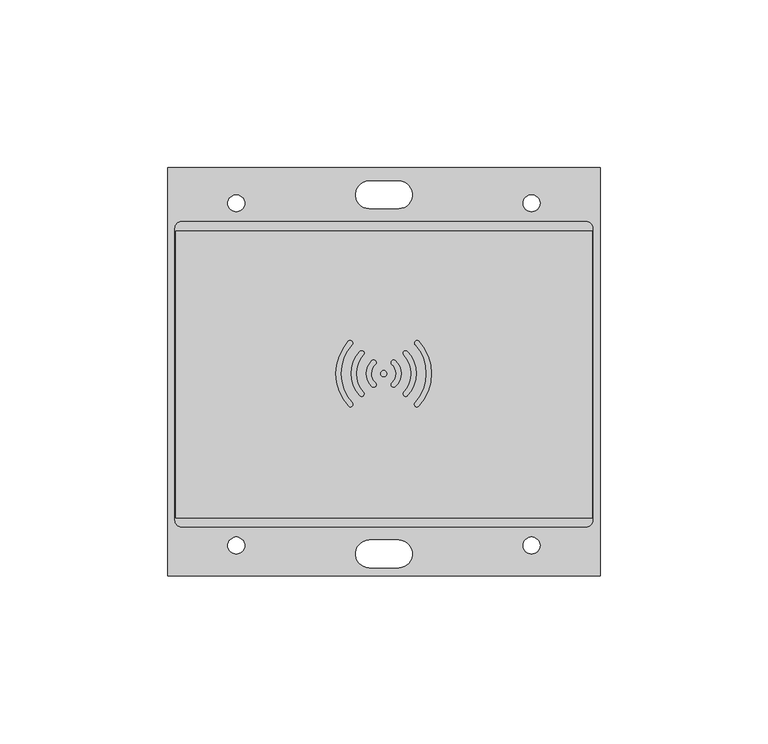
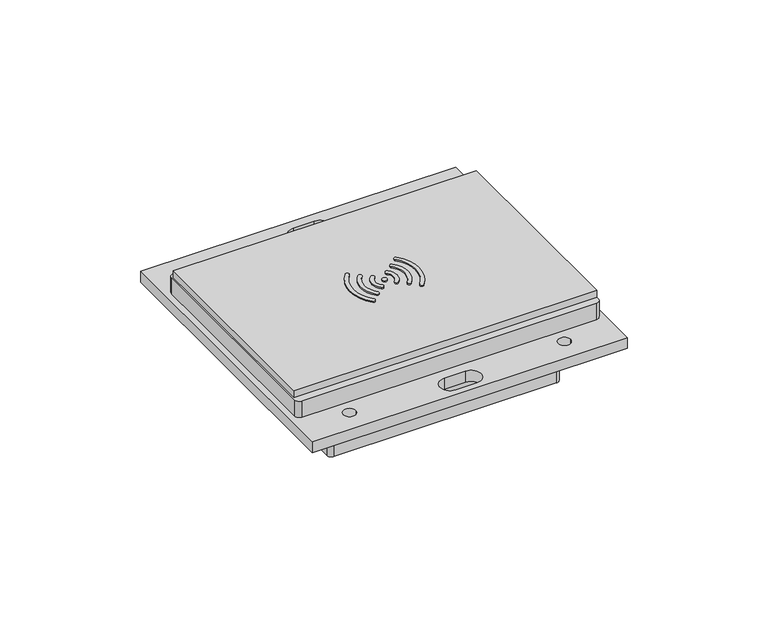
"""IFC4 building model written with IfcOpenShell, lengths in millimetres: proxy geometry."""

from ifc_helpers import new_model, si_unit, point, frame, frame_2d, origin, origin_with_axes, place, context, project, spatial, polyline, circle_curve, trimmed, segment, composite_curve, outline, extrude, source, transform, mapped, element, save


def electrical_fixtures_daf3bfaa(model_context):
    return source(origin(), model_context, "Body", "SweptSolid", [
        extrude(outline(polyline([(64.4281495, 130.2808458), (64.4281495, 8.6200308), (-64.3841881, 8.6200308), (-64.3841881, 130.2808458), (64.4281495, 130.2808458)]), holes=[composite_curve([segment(polyline([(4.35, 126.3041857), (-4.35, 126.3041857)]), True, "CONTINUOUS"), segment(trimmed(circle_curve(frame_2d((-4.35, 122.1956078)), 4.1085778), [point((-4.35, 126.3041857))], [point((-4.35, 118.08703))], True, "CARTESIAN"), True, "CONTINUOUS"), segment(polyline([(-4.35, 118.08703), (4.35, 118.08703)]), True, "CONTINUOUS"), segment(trimmed(circle_curve(frame_2d((4.35, 122.1956078)), 4.1085778), [point((4.35, 118.08703))], [point((4.35, 126.3041857))], True, "CARTESIAN"), True, "CONTINUOUS")], self_intersect=False), composite_curve([segment(trimmed(circle_curve(frame_2d((-43.9975195, 119.6769064)), 2.5148577), [point((-46.5123772, 119.6769064))], [point((-41.4826618, 119.6769064))], True, "CARTESIAN"), True, "CONTINUOUS"), segment(trimmed(circle_curve(frame_2d((-43.9975195, 119.6769064)), 2.5148577), [point((-41.4826618, 119.6769064))], [point((-46.5123772, 119.6769064))], True, "CARTESIAN"), True, "CONTINUOUS")], self_intersect=False), composite_curve([segment(trimmed(circle_curve(frame_2d((43.9975195, 119.6769064)), 2.5148577), [point((46.5123772, 119.6769064))], [point((41.4826618, 119.6769064))], True, "CARTESIAN"), True, "CONTINUOUS"), segment(trimmed(circle_curve(frame_2d((43.9975195, 119.6769064)), 2.5148577), [point((41.4826618, 119.6769064))], [point((46.5123772, 119.6769064))], True, "CARTESIAN"), True, "CONTINUOUS")], self_intersect=False), composite_curve([segment(trimmed(circle_curve(frame_2d((4.35, 15.1427687)), 4.1085778), [point((4.35, 11.0341909))], [point((4.35, 19.2513465))], True, "CARTESIAN"), True, "CONTINUOUS"), segment(polyline([(4.35, 19.2513465), (-4.35, 19.2513465)]), True, "CONTINUOUS"), segment(trimmed(circle_curve(frame_2d((-4.35, 15.1427687)), 4.1085778), [point((-4.35, 19.2513465))], [point((-4.35, 11.0341909))], True, "CARTESIAN"), True, "CONTINUOUS"), segment(polyline([(-4.35, 11.0341909), (4.35, 11.0341909)]), True, "CONTINUOUS")], self_intersect=False), composite_curve([segment(trimmed(circle_curve(frame_2d((-43.9975195, 17.6614702)), 2.5148577), [point((-46.5123772, 17.6614702))], [point((-41.4826618, 17.6614702))], True, "CARTESIAN"), True, "CONTINUOUS"), segment(trimmed(circle_curve(frame_2d((-43.9975195, 17.6614702)), 2.5148577), [point((-41.4826618, 17.6614702))], [point((-46.5123772, 17.6614702))], True, "CARTESIAN"), True, "CONTINUOUS")], self_intersect=False), composite_curve([segment(trimmed(circle_curve(frame_2d((43.9975195, 17.6614702)), 2.5148577), [point((46.5123772, 17.6614702))], [point((41.4826618, 17.6614702))], True, "CARTESIAN"), True, "CONTINUOUS"), segment(trimmed(circle_curve(frame_2d((43.9975195, 17.6614702)), 2.5148577), [point((41.4826618, 17.6614702))], [point((46.5123772, 17.6614702))], True, "CARTESIAN"), True, "CONTINUOUS")], self_intersect=False)]), origin_with_axes(), (0.0, 0.0, 1.0), 4.7),
        extrude(outline(composite_curve([segment(trimmed(circle_curve(frame_2d((-0.0880751, 68.8943477)), 12.7536081), [point((-9.4997919, 77.5009794))], [point((-9.463318, 60.2479994))], True, "CARTESIAN"), True, "CONTINUOUS"), segment(trimmed(circle_curve(frame_2d((-10.0155013, 59.7387466)), 0.7511622), [point((-9.463318, 60.2479994))], [point((-10.524754, 59.1865634))], False, "CARTESIAN"), True, "CONTINUOUS"), segment(trimmed(circle_curve(frame_2d((-0.0880751, 68.8943477)), 14.2536081), [point((-10.524754, 59.1865634))], [point((-10.5659757, 78.5576258))], False, "CARTESIAN"), True, "CONTINUOUS"), segment(trimmed(circle_curve(frame_2d((-10.0566301, 78.0053419)), 0.7512992), [point((-10.5659757, 78.5576258))], [point((-9.4997919, 77.5009794))], False, "CARTESIAN"), True, "CONTINUOUS")], self_intersect=False)), frame((0.0, 0.0, 15.5), z_axis=(0.0, 0.0, 1.0), x_axis=(1.0, 0.0, 0.0)), (0.0, 0.0, 1.0), 0.5346812),
        extrude(outline(composite_curve([segment(trimmed(circle_curve(frame_2d((-0.2026035, 68.8943477)), 8.0900219), [point((-6.0967067, 74.4358278))], [point((-6.1229441, 63.3809077))], True, "CARTESIAN"), True, "CONTINUOUS"), segment(trimmed(circle_curve(frame_2d((-6.6752868, 62.8723932)), 0.7507793), [point((-6.1229441, 63.3809077))], [point((-7.1895535, 62.325402))], False, "CARTESIAN"), True, "CONTINUOUS"), segment(trimmed(circle_curve(frame_2d((-0.2026035, 68.8943477)), 9.5900219), [point((-7.1895535, 62.325402))], [point((-7.1577921, 75.4969132))], False, "CARTESIAN"), True, "CONTINUOUS"), segment(trimmed(circle_curve(frame_2d((-6.643609, 74.9500109)), 0.7506573), [point((-7.1577921, 75.4969132))], [point((-6.0967067, 74.4358278))], False, "CARTESIAN"), True, "CONTINUOUS")], self_intersect=False)), frame((0.0, 0.0, 15.5), z_axis=(0.0, 0.0, 1.0), x_axis=(1.0, 0.0, 0.0)), (0.0, 0.0, 1.0), 0.5346812),
        extrude(outline(composite_curve([segment(trimmed(circle_curve(frame_2d((-3.0715627, 65.5996865)), 0.75206), [point((-2.6211041, 66.2019168))], [point((-3.5773715, 65.0431332))], False, "CARTESIAN"), True, "CONTINUOUS"), segment(trimmed(circle_curve(frame_2d((-0.0855561, 68.8852601)), 5.1917929), [point((-3.5773715, 65.0431332))], [point((-3.5773715, 72.727387))], False, "CARTESIAN"), True, "CONTINUOUS"), segment(trimmed(circle_curve(frame_2d((-3.0715627, 72.1708337)), 0.75206), [point((-3.5773715, 72.727387))], [point((-2.5150093, 71.6650249))], False, "CARTESIAN"), True, "CONTINUOUS"), segment(trimmed(circle_curve(frame_2d((-0.0855561, 68.8852601)), 3.6917929), [point((-2.5150093, 71.6650249))], [point((-2.6211041, 66.2019168))], True, "CARTESIAN"), True, "CONTINUOUS")], self_intersect=False)), frame((0.0, 0.0, 15.5), z_axis=(0.0, 0.0, 1.0), x_axis=(1.0, 0.0, 0.0)), (0.0, 0.0, 1.0), 0.5346812),
        extrude(outline(composite_curve([segment(trimmed(circle_curve(frame_2d((-0.0855561, 68.8852601)), 0.9133142), [point((-0.9988703, 68.8852601))], [point((0.8277581, 68.8852601))], False, "CARTESIAN"), True, "CONTINUOUS"), segment(trimmed(circle_curve(frame_2d((-0.0855561, 68.8852601)), 0.9133142), [point((0.8277581, 68.8852601))], [point((-0.9988703, 68.8852601))], False, "CARTESIAN"), True, "CONTINUOUS")], self_intersect=False)), frame((0.0, 0.0, 15.5), z_axis=(0.0, 0.0, 1.0), x_axis=(1.0, 0.0, 0.0)), (0.0, 0.0, 1.0), 0.5346812),
        extrude(outline(composite_curve([segment(trimmed(circle_curve(frame_2d((9.885518, 78.0053419)), 0.7512992), [point((9.3286797, 77.5009794))], [point((10.3948636, 78.5576258))], False, "CARTESIAN"), True, "CONTINUOUS"), segment(trimmed(circle_curve(frame_2d((-0.0830371, 68.8943477)), 14.2536081), [point((10.3948636, 78.5576258))], [point((10.3536419, 59.1865634))], False, "CARTESIAN"), True, "CONTINUOUS"), segment(trimmed(circle_curve(frame_2d((9.8443891, 59.7387466)), 0.7511622), [point((10.3536419, 59.1865634))], [point((9.2922059, 60.2479994))], False, "CARTESIAN"), True, "CONTINUOUS"), segment(trimmed(circle_curve(frame_2d((-0.0830371, 68.8943477)), 12.7536081), [point((9.2922059, 60.2479994))], [point((9.3286797, 77.5009794))], True, "CARTESIAN"), True, "CONTINUOUS")], self_intersect=False)), frame((0.0, 0.0, 15.5), z_axis=(0.0, 0.0, 1.0), x_axis=(1.0, 0.0, 0.0)), (0.0, 0.0, 1.0), 0.5346812),
        extrude(outline(composite_curve([segment(trimmed(circle_curve(frame_2d((6.4724968, 74.9500109)), 0.7506573), [point((5.9255945, 74.4358278))], [point((6.9866799, 75.4969132))], False, "CARTESIAN"), True, "CONTINUOUS"), segment(trimmed(circle_curve(frame_2d((0.0314913, 68.8943477)), 9.5900219), [point((6.9866799, 75.4969132))], [point((7.0184413, 62.325402))], False, "CARTESIAN"), True, "CONTINUOUS"), segment(trimmed(circle_curve(frame_2d((6.5041747, 62.8723932)), 0.7507793), [point((7.0184413, 62.325402))], [point((5.9518319, 63.3809077))], False, "CARTESIAN"), True, "CONTINUOUS"), segment(trimmed(circle_curve(frame_2d((0.0314913, 68.8943477)), 8.0900219), [point((5.9518319, 63.3809077))], [point((5.9255945, 74.4358278))], True, "CARTESIAN"), True, "CONTINUOUS")], self_intersect=False)), frame((0.0, 0.0, 15.5), z_axis=(0.0, 0.0, 1.0), x_axis=(1.0, 0.0, 0.0)), (0.0, 0.0, 1.0), 0.5346812),
        extrude(outline(composite_curve([segment(trimmed(circle_curve(frame_2d((-0.0855561, 68.8852601)), 3.6917929), [point((2.4499919, 66.2019168))], [point((2.3438971, 71.6650249))], True, "CARTESIAN"), True, "CONTINUOUS"), segment(trimmed(circle_curve(frame_2d((2.9004505, 72.1708337)), 0.75206), [point((2.3438971, 71.6650249))], [point((3.4062593, 72.727387))], False, "CARTESIAN"), True, "CONTINUOUS"), segment(trimmed(circle_curve(frame_2d((-0.0855561, 68.8852601)), 5.1917929), [point((3.4062593, 72.727387))], [point((3.4062593, 65.0431332))], False, "CARTESIAN"), True, "CONTINUOUS"), segment(trimmed(circle_curve(frame_2d((2.9004505, 65.5996865)), 0.75206), [point((3.4062593, 65.0431332))], [point((2.4499919, 66.2019168))], False, "CARTESIAN"), True, "CONTINUOUS")], self_intersect=False)), frame((0.0, 0.0, 15.5), z_axis=(0.0, 0.0, 1.0), x_axis=(1.0, 0.0, 0.0)), (0.0, 0.0, 1.0), 0.5346812),
        extrude(outline(composite_curve([segment(trimmed(circle_curve(frame_2d((45.4828444, 109.4200901)), 2.0), [point((45.4828444, 111.4200901))], [point((47.4828444, 109.4200901))], False, "CARTESIAN"), True, "CONTINUOUS"), segment(polyline([(47.4828444, 109.4200901), (47.4828444, 27.9456078)]), True, "CONTINUOUS"), segment(trimmed(circle_curve(frame_2d((45.4828444, 27.9456078)), 2.0), [point((47.4828444, 27.9456078))], [point((45.4828444, 25.9456078))], False, "CARTESIAN"), True, "CONTINUOUS"), segment(polyline([(45.4828444, 25.9456078), (-45.4828444, 25.9456078)]), True, "CONTINUOUS"), segment(trimmed(circle_curve(frame_2d((-45.4828444, 27.9456078)), 2.0), [point((-45.4828444, 25.9456078))], [point((-47.4828444, 27.9456078))], False, "CARTESIAN"), True, "CONTINUOUS"), segment(polyline([(-47.4828444, 27.9456078), (-47.4828444, 109.4200901)]), True, "CONTINUOUS"), segment(trimmed(circle_curve(frame_2d((-45.4828444, 109.4200901)), 2.0), [point((-47.4828444, 109.4200901))], [point((-45.4828444, 111.4200901))], False, "CARTESIAN"), True, "CONTINUOUS"), segment(polyline([(-45.4828444, 111.4200901), (45.4828444, 111.4200901)]), True, "CONTINUOUS")], self_intersect=False)), frame((0.0, 0.0, -18.8), z_axis=(0.0, 0.0, 1.0), x_axis=(1.0, 0.0, 0.0)), (0.0, 0.0, 1.0), 18.8),
        extrude(outline(composite_curve([segment(trimmed(circle_curve(frame_2d((60.25, 112.1956078)), 2.0), [point((60.25, 114.1956078))], [point((62.25, 112.1956078))], False, "CARTESIAN"), True, "CONTINUOUS"), segment(polyline([(62.25, 112.1956078), (62.25, 25.1956078)]), True, "CONTINUOUS"), segment(trimmed(circle_curve(frame_2d((60.25, 25.1956078)), 2.0), [point((62.25, 25.1956078))], [point((60.25, 23.1956078))], False, "CARTESIAN"), True, "CONTINUOUS"), segment(polyline([(60.25, 23.1956078), (-60.25, 23.1956078)]), True, "CONTINUOUS"), segment(trimmed(circle_curve(frame_2d((-60.25, 25.1956078)), 2.0), [point((-60.25, 23.1956078))], [point((-62.25, 25.1956078))], False, "CARTESIAN"), True, "CONTINUOUS"), segment(polyline([(-62.25, 25.1956078), (-62.25, 112.1956078)]), True, "CONTINUOUS"), segment(trimmed(circle_curve(frame_2d((-60.25, 112.1956078)), 2.0), [point((-62.25, 112.1956078))], [point((-60.25, 114.1956078))], False, "CARTESIAN"), True, "CONTINUOUS"), segment(polyline([(-60.25, 114.1956078), (60.25, 114.1956078)]), True, "CONTINUOUS")], self_intersect=False)), frame((0.0, 0.0, 4.7), z_axis=(0.0, 0.0, 1.0), x_axis=(1.0, 0.0, 0.0)), (0.0, 0.0, 1.0), 7.4488395),
        extrude(outline(polyline([(-62.0, 111.4456078), (62.0, 111.4456078), (62.0, 25.9456078), (-62.0, 25.9456078), (-62.0, 111.4456078)])), frame((0.0, 0.0, 12.1488395), z_axis=(0.0, 0.0, 1.0), x_axis=(1.0, 0.0, 0.0)), (0.0, 0.0, 1.0), 3.3511605),
    ])


if __name__ == "__main__":
    model = new_model("IFC4")
    model_context = context("Model", 3, world=origin())
    ifc_project = project(units=[si_unit("LENGTHUNIT", "METRE", prefix="MILLI")], contexts=[model_context])
    site = spatial("IfcSite", under=ifc_project)
    building = spatial("IfcBuilding", under=site)
    placement = place(None, origin())
    electrical_fixtures_shape = electrical_fixtures_daf3bfaa(model_context)
    element("IfcBuildingElementProxy", 1, Name="Electrical Fixtures", at=placement, inside=building, context=model_context, shape_type="MappedRepresentation", body=[
        mapped(electrical_fixtures_shape, transform((0.0, 0.0, 0.0), x_axis=(1.0, 0.0, 0.0), y_axis=(0.0, 1.0, 0.0), z_axis=(0.0, 0.0, 1.0))),
    ])
    save(model, "model.ifc")
